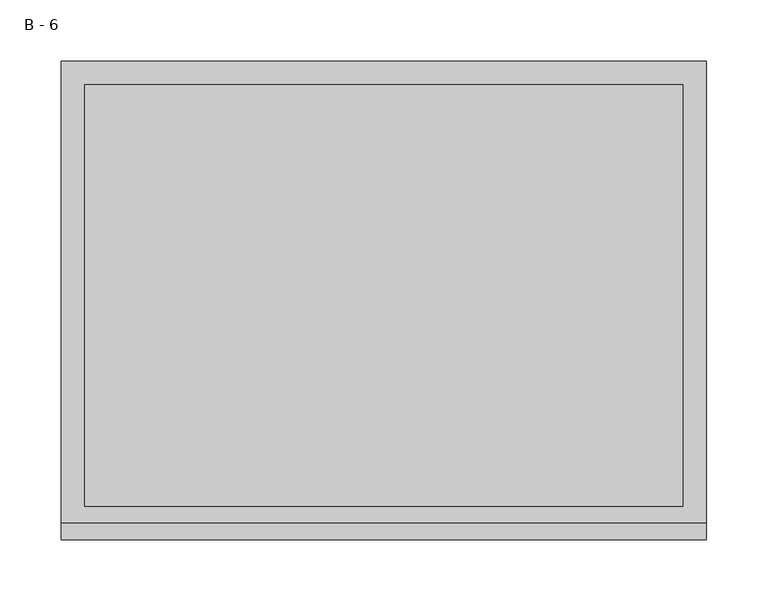
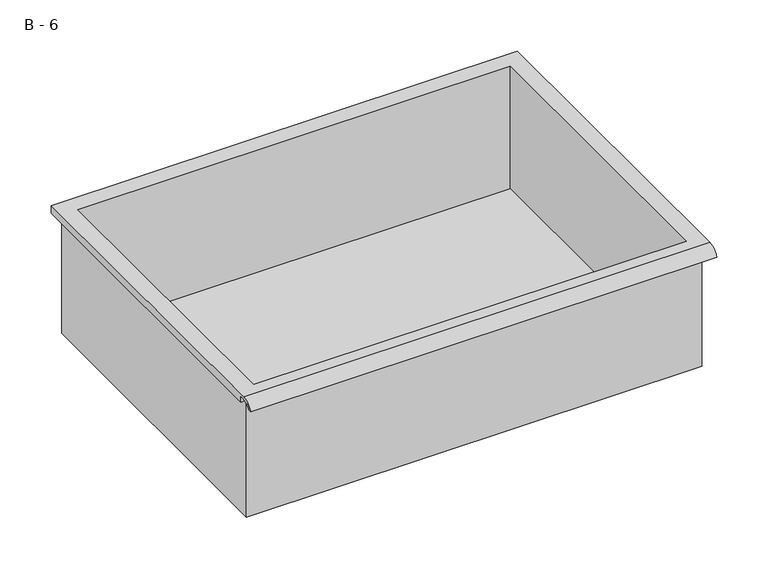
"""IFC4 building model written with IfcOpenShell, lengths in millimetres: furniture geometry, B - 6."""

from ifc_helpers import new_model, si_unit, frame, origin, place, context, project, spatial, polyline, circle_curve, source, transform, mapped, element, save
from ifc_brep_helpers import plane_surface, cylinder_surface, revolved_surface, advanced_brep


def b_6_4d1911e2(model_context):
    return source(origin(), model_context, "Body", "AdvancedBrep", [
        advanced_brep(
        [(-257.1076517, -176.2125, 488.95), (257.2423483, -176.2125, 488.95), (257.2423483, -176.2125, 628.65), (263.5923483, -176.2125, 628.65), (263.5923483, -176.2125, 634.9571341), (-263.4576517, -176.2125, 634.9571341), (-263.4576517, -176.2125, 628.65), (-257.1076517, -176.2125, 628.65), (257.2423483, 185.7375, 488.95), (-257.1076517, 185.7375, 488.95), (-257.1076517, 185.7375, 628.65), (257.2423483, 185.7375, 628.65), (263.5923483, -181.6070544, 638.175), (263.5923483, 195.2625, 638.175), (-263.4576517, 195.2625, 638.175), (-263.4576517, -181.6070544, 638.175), (244.5423483, -168.275, 638.175), (-244.4076517, -168.275, 638.175), (-244.4076517, 176.2125, 638.175), (244.5423483, 176.2125, 638.175), (263.5923483, -195.2625, 628.65), (263.5923483, -191.8280601, 628.65), (263.5923483, -180.4714815, 634.9571341), (263.5923483, 195.2625, 628.65), (-263.4576517, 195.2625, 628.65), (-263.4576517, -180.4714815, 634.9571341), (-263.4576517, -191.8280601, 628.65), (-263.4576517, -195.2625, 628.65), (-244.4076517, -168.275, 491.9761719), (244.5423483, -168.275, 491.9761719), (244.5423483, 176.2125, 491.9761719), (-244.4076517, 176.2125, 491.9761719)],
        [
            (0, 1),
            (1, 2),
            (2, 3),
            (3, 4),
            (4, 5),
            (5, 6),
            (6, 7),
            (7, 0),
            (8, 9),
            (9, 10),
            (10, 11),
            (11, 8),
            (0, 9),
            (8, 1),
            (11, 2),
            (12, 13),
            (13, 14),
            (14, 15),
            (15, 12),
            (16, 17),
            (17, 18),
            (18, 19),
            (19, 16),
            (7, 10),
            (12, 20, circle_curve(frame((263.5923483, -181.6070544, 623.6239859), z_axis=(1.0, 0.0, 0.0), x_axis=(0.0, 1.0, 0.0)), 14.5510141)),
            (20, 21),
            (21, 22, circle_curve(frame((263.5923483, -181.6070544, 623.6239859), z_axis=(-1.0, 0.0, 0.0), x_axis=(0.0, 1.0, 0.0)), 11.3898979)),
            (22, 4),
            (3, 23),
            (23, 13),
            (14, 24),
            (24, 6),
            (5, 25),
            (25, 26, circle_curve(frame((-263.4576517, -181.6070544, 623.6239859), z_axis=(1.0, 0.0, 0.0), x_axis=(0.0, 1.0, 0.0)), 11.3898979)),
            (26, 27),
            (27, 15, circle_curve(frame((-263.4576517, -181.6070544, 623.6239859), z_axis=(-1.0, 0.0, 0.0), x_axis=(0.0, 1.0, 0.0)), 14.5510141)),
            (27, 20),
            (26, 21),
            (25, 22),
            (24, 23),
            (28, 29),
            (29, 30),
            (30, 31),
            (31, 28),
            (28, 17),
            (16, 29),
            (19, 30),
            (18, 31),
        ],
        [
            plane_surface(frame((257.2423483, -176.2125, 488.95), z_axis=(0.0, -1.0, 0.0), x_axis=(1.0, 0.0, 0.0))),
            plane_surface(frame((257.2423483, 185.7375, 488.95), z_axis=(0.0, 1.0, 0.0), x_axis=(-1.0, 0.0, 0.0))),
            plane_surface(frame((-257.1076517, -176.2125, 488.95), z_axis=(0.0, 0.0, -1.0), x_axis=(0.0, 1.0, 0.0))),
            plane_surface(frame((257.2423483, -176.2125, 488.95), z_axis=(1.0, 0.0, 0.0), x_axis=(0.0, 1.0, 0.0))),
            plane_surface(frame((257.2423483, -176.2125, 638.175), z_axis=(0.0, 0.0, 1.0), x_axis=(0.0, 1.0, 0.0))),
            plane_surface(frame((-257.1076517, -176.2125, 638.175), z_axis=(-1.0, 0.0, 0.0), x_axis=(0.0, 1.0, 0.0))),
            plane_surface(frame((263.5923483, 195.2625, 638.175), z_axis=(1.0, 0.0, 0.0), x_axis=(0.0, -1.0, 0.0))),
            plane_surface(frame((-263.4576517, 195.2625, 638.175), z_axis=(-1.0, 0.0, 0.0), x_axis=(0.0, 1.0, 0.0))),
            cylinder_surface(frame((-263.4576517, -181.6070544, 623.6239859), z_axis=(1.0, 0.0, 0.0), x_axis=(0.0, 1.0, 0.0)), 14.5510141),
            plane_surface(frame((263.5923483, -195.2625, 628.65), z_axis=(0.0, -7.172997036884874e-12, -1.0), x_axis=(-1.0, 0.0, 0.0))),
            revolved_surface(polyline([(-263.4576517, -170.21715650000002, 623.6239859), (263.59234829999997, -170.21715650000002, 623.6239859)]), (-263.4576517, -181.6070544, 623.6239859), (-1.0, 0.0, 0.0)),
            plane_surface(frame((263.5923483, -180.4714815, 634.9571341), z_axis=(0.0, -1.7829628395380397e-11, -1.0), x_axis=(-1.0, 0.0, 0.0))),
            plane_surface(frame((263.5923483, -176.2125, 628.65), z_axis=(0.0, 0.0, -1.0), x_axis=(-1.0, 0.0, 0.0))),
            plane_surface(frame((263.5923483, 195.2625, 628.65), z_axis=(0.0, 1.0, 0.0), x_axis=(-1.0, 0.0, 0.0))),
            plane_surface(frame((244.5423483, -168.275, 491.9761719), z_axis=(0.0, 0.0, 1.0), x_axis=(-1.0, 0.0, 0.0))),
            plane_surface(frame((-244.4076517, -168.275, 638.175), z_axis=(0.0, 1.0, 0.0), x_axis=(0.0, 0.0, -1.0))),
            plane_surface(frame((244.5423483, -168.275, 638.175), z_axis=(-1.0, 0.0, 0.0), x_axis=(0.0, 0.0, -1.0))),
            plane_surface(frame((244.5423483, 176.2125, 638.175), z_axis=(0.0, -1.0, 0.0), x_axis=(0.0, 0.0, -1.0))),
            plane_surface(frame((-244.4076517, 176.2125, 638.175), z_axis=(1.0, 0.0, 0.0), x_axis=(0.0, 0.0, -1.0))),
        ],
        [
            (0, [[1, 2, 3, 4, 5, 6, 7, 8]]),
            (1, [[9, 10, 11, 12]]),
            (2, [[-1, 13, -9, 14]]),
            (3, [[-14, -12, 15, -2]]),
            (4, [[16, 17, 18, 19], [20, 21, 22, 23]]),
            (5, [[-13, -8, 24, -10]]),
            (6, [[-16, 25, 26, 27, 28, -4, 29, 30]]),
            (7, [[31, 32, -6, 33, 34, 35, 36, -18]]),
            (8, [[-25, -19, -36, 37]]),
            (9, [[-26, -37, -35, 38]]),
            (10, [[-27, -38, -34, 39]]),
            (11, [[-28, -39, -33, -5]]),
            (12, [[-29, -3, -15, -11, -24, -7, -32, 40]]),
            (13, [[-30, -40, -31, -17]]),
            (14, [[41, 42, 43, 44]]),
            (15, [[-41, 45, -20, 46]]),
            (16, [[-42, -46, -23, 47]]),
            (17, [[-43, -47, -22, 48]]),
            (18, [[-44, -48, -21, -45]]),
        ],
    ),
    ])


if __name__ == "__main__":
    model = new_model("IFC4")
    model_context = context("Model", 3, world=origin())
    ifc_project = project(units=[si_unit("LENGTHUNIT", "METRE", prefix="MILLI")], contexts=[model_context])
    site = spatial("IfcSite", under=ifc_project)
    building = spatial("IfcBuilding", under=site)
    placement = place(None, origin())
    b_6_shape = b_6_4d1911e2(model_context)
    element("IfcFurniture", 1, ObjectType="B - 6", at=placement, inside=building, context=model_context, shape_type="MappedRepresentation", body=[
        mapped(b_6_shape, transform((0.0, 0.0, 0.0), x_axis=(1.0, 0.0, 0.0), y_axis=(0.0, 1.0, 0.0), z_axis=(0.0, 0.0, 1.0))),
    ])
    save(model, "model.ifc")
